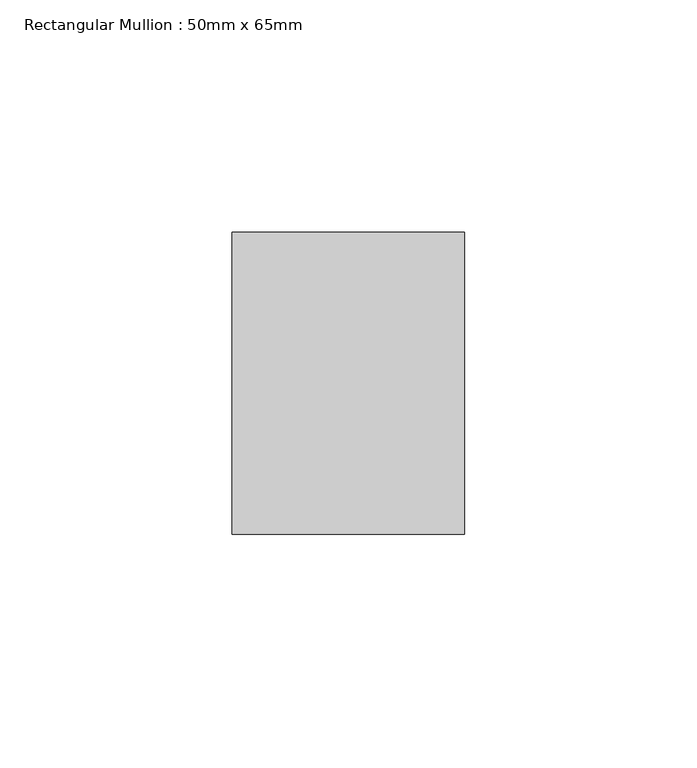
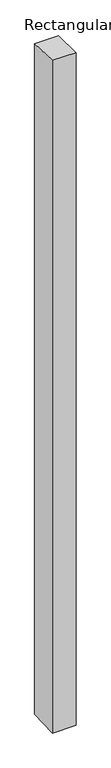
"""IFC4 building model written with IfcOpenShell, lengths in millimetres: member geometry, Rectangular Mullion : 50mm x 65mm."""

from ifc_helpers import new_model, si_unit, origin, place, context, project, spatial, faceted_brep, source, transform, mapped, element, save


def rectangular_mullion_50mm_x_65mm_85708f3b(model_context):
    return source(origin(), model_context, "Body", "Brep", [
        faceted_brep([(-25.0, 32.5, -1.1419454), (25.0, 32.5, -1.1419562), (25.0, 32.5, -1498.5320238), (-25.0, 32.5, -1498.5320378), (-25.0, -32.5, 1.1419562), (-25.0, -32.5, -1501.4673891), (25.0, -32.5, 1.1419454), (25.0, -32.5, -1501.4673752)], [[[0, 1, 2, 3]], [[4, 0, 3, 5]], [[6, 4, 5, 7]], [[1, 6, 7, 2]], [[1, 0, 4, 6]], [[2, 7, 5, 3]]]),
    ])


if __name__ == "__main__":
    model = new_model("IFC4")
    model_context = context("Model", 3, world=origin())
    ifc_project = project(units=[si_unit("LENGTHUNIT", "METRE", prefix="MILLI")], contexts=[model_context])
    site = spatial("IfcSite", under=ifc_project)
    building = spatial("IfcBuilding", under=site)
    placement = place(None, origin())
    rectangular_mullion_50mm_x_65mm_shape = rectangular_mullion_50mm_x_65mm_85708f3b(model_context)
    element("IfcMember", 1, ObjectType="Rectangular Mullion : 50mm x 65mm", at=placement, inside=building, context=model_context, shape_type="MappedRepresentation", body=[
        mapped(rectangular_mullion_50mm_x_65mm_shape, transform((0.0, 0.0, 0.0), x_axis=(1.0, 0.0, 0.0), y_axis=(0.0, 1.0, 0.0), z_axis=(0.0, 0.0, 1.0))),
    ])
    save(model, "model.ifc")
